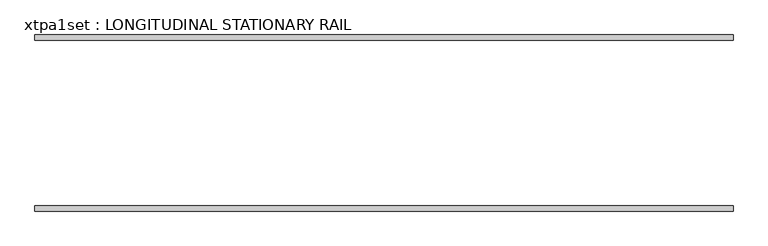
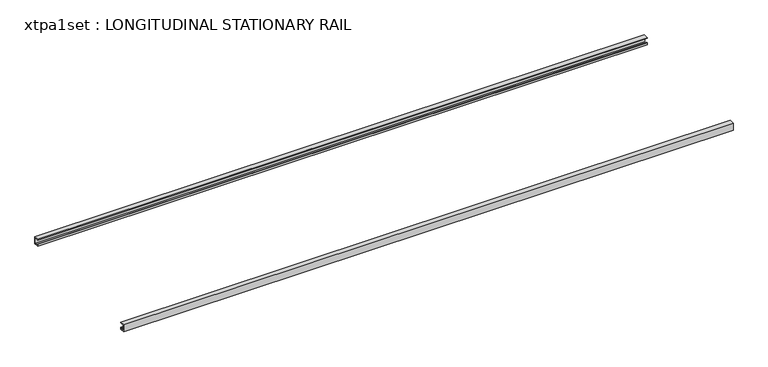
"""IFC4 building model written with IfcOpenShell, lengths in millimetres: proxy geometry, xtpa1set : LONGITUDINAL STATIONARY RAIL."""

from ifc_helpers import new_model, si_unit, frame, origin, place, context, project, spatial, polyline, outline, extrude, source, transform, mapped, element, save


def xtpa1set_longitudinal_stationary_rail_f9bcf088(model_context):
    return source(origin(), model_context, "Body", "SweptSolid", [
        extrude(outline(polyline([(730.3743471, 2743.2), (730.3743471, 2673.35), (692.2743471, 2673.35), (685.9243471, 2673.35), (685.9243471, 2692.4), (692.2743471, 2692.4), (692.2743471, 2679.7), (724.0243471, 2679.7), (724.0243471, 2736.85), (685.9243471, 2736.85), (685.9243471, 2743.2), (730.3743471, 2743.2)])), frame((0.0, 0.0, 0.0), z_axis=(1.0, 0.0, 0.0), x_axis=(0.0, 1.0, 0.0)), (0.0, 0.0, 1.0), 5791.20508),
        extrude(outline(polyline([(-730.3743471, 2673.35), (-730.3743471, 2743.2), (-685.9243471, 2743.2), (-685.9243471, 2736.85), (-724.0243471, 2736.85), (-724.0243471, 2679.7), (-692.2743471, 2679.7), (-692.2743471, 2692.4), (-685.9243471, 2692.4), (-685.9243471, 2673.35), (-692.2743471, 2673.35), (-730.3743471, 2673.35)])), frame((0.0, 0.0, 0.0), z_axis=(1.0, 0.0, 0.0), x_axis=(0.0, 1.0, 0.0)), (0.0, 0.0, 1.0), 5791.20508),
    ])


if __name__ == "__main__":
    model = new_model("IFC4")
    model_context = context("Model", 3, world=origin())
    ifc_project = project(units=[si_unit("LENGTHUNIT", "METRE", prefix="MILLI")], contexts=[model_context])
    site = spatial("IfcSite", under=ifc_project)
    building = spatial("IfcBuilding", under=site)
    placement = place(None, origin())
    xtpa1set_longitudinal_stationary_rail_shape = xtpa1set_longitudinal_stationary_rail_f9bcf088(model_context)
    element("IfcBuildingElementProxy", 1, Name="xtpa1set : LONGITUDINAL STATIONARY RAIL", ObjectType="xtpa1set : LONGITUDINAL STATIONARY RAIL", at=placement, inside=building, context=model_context, shape_type="MappedRepresentation", body=[
        mapped(xtpa1set_longitudinal_stationary_rail_shape, transform((0.0, 0.0, 0.0), x_axis=(1.0, 0.0, 0.0), y_axis=(0.0, 1.0, 0.0), z_axis=(0.0, 0.0, 1.0))),
    ])
    save(model, "model.ifc")
